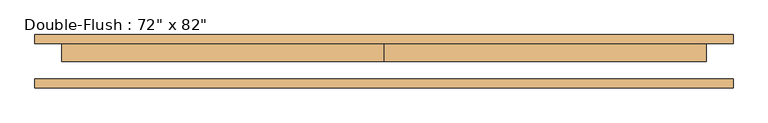
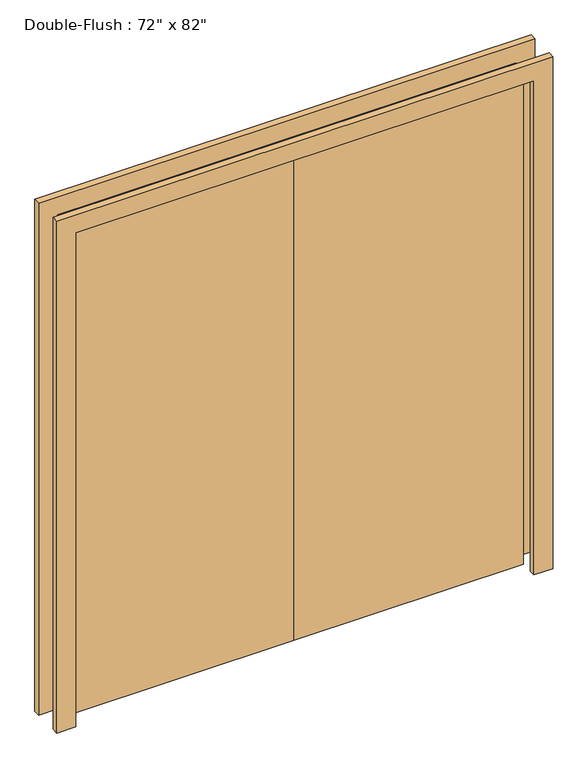
"""IFC4 building model written with IfcOpenShell, lengths in millimetres: door geometry."""

from ifc_helpers import new_model, si_unit, frame, origin, origin_with_axes, place, context, project, spatial, polyline, outline, extrude, source, transform, mapped, element, save


def door_3381f76c(model_context):
    return source(origin(), model_context, "Body", "SweptSolid", [
        extrude(outline(polyline([(0.0, 50.0), (914.4, 50.0), (914.4, -0.8), (0.0, -0.8), (0.0, 50.0)])), origin_with_axes(), (0.0, 0.0, 1.0), 2082.8),
        extrude(outline(polyline([(-914.4, 50.0), (0.0, 50.0), (0.0, -0.8), (-914.4, -0.8), (-914.4, 50.0)])), origin_with_axes(), (0.0, 0.0, 1.0), 2082.8),
        extrude(outline(polyline([(2082.8, -914.4), (2082.8, 914.4), (0.0, 914.4), (0.0, 990.6), (2159.0, 990.6), (2159.0, -990.6), (0.0, -990.6), (0.0, -914.4), (2082.8, -914.4)])), frame((0.0, -75.4, 0.0), z_axis=(0.0, 1.0, 0.0), x_axis=(0.0, 0.0, 1.0)), (0.0, 0.0, 1.0), 25.4),
        extrude(outline(polyline([(2082.8, -914.4), (2082.8, 914.4), (0.0, 914.4), (0.0, 990.6), (2159.0, 990.6), (2159.0, -990.6), (0.0, -990.6), (0.0, -914.4), (2082.8, -914.4)])), frame((0.0, 50.0, 0.0), z_axis=(0.0, 1.0, 0.0), x_axis=(0.0, 0.0, 1.0)), (0.0, 0.0, 1.0), 25.4),
    ])


if __name__ == "__main__":
    model = new_model("IFC4")
    model_context = context("Model", 3, world=origin())
    ifc_project = project(units=[si_unit("LENGTHUNIT", "METRE", prefix="MILLI")], contexts=[model_context])
    site = spatial("IfcSite", under=ifc_project)
    building = spatial("IfcBuilding", under=site)
    placement = place(None, origin())
    door_shape = door_3381f76c(model_context)
    element("IfcDoor", 1, ObjectType="Double-Flush : 72\" x 82\"", at=placement, inside=building, context=model_context, shape_type="MappedRepresentation", body=[
        mapped(door_shape, transform((0.0, 0.0, 0.0), x_axis=(1.0, 0.0, 0.0), y_axis=(0.0, 1.0, 0.0), z_axis=(0.0, 0.0, 1.0))),
    ])
    save(model, "model.ifc")
